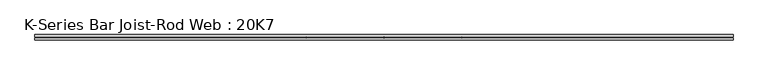
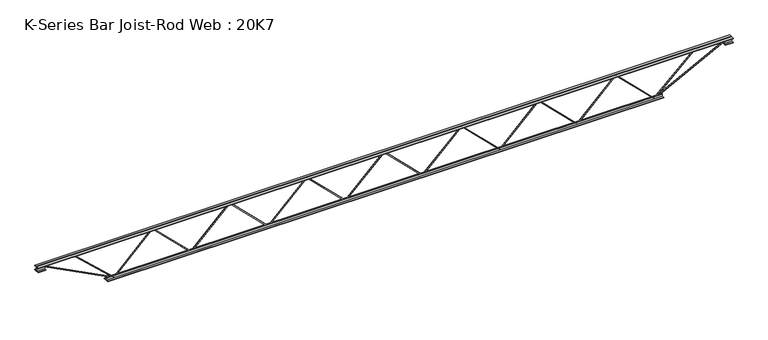
"""IFC4 building model written with IfcOpenShell, lengths in millimetres: beam geometry, K-Series Bar Joist-Rod Web : 20K7."""

from ifc_helpers import new_model, si_unit, frame, origin, place, context, project, spatial, polyline, outline, extrude, source, transform, mapped, element, save


def k_series_bar_joist_rod_web_20k7_4444d1ec(model_context):
    return source(origin(), model_context, "Body", "SweptSolid", [
        extrude(outline(polyline([(-242.8875, 1524.0), (-252.4125, 1524.0), (-252.4125, 1529.1299462), (242.8875, 2030.7799462), (242.8875, 2033.2200538), (-252.4125, 2534.8700538), (-252.4125, 2540.0), (-242.8875, 2540.0), (-242.8875, 2538.7799462), (252.4125, 2037.1299462), (252.4125, 2026.8700538), (-242.8875, 1525.2200538), (-242.8875, 1524.0)])), frame((0.0, -4.7625, 0.0), z_axis=(0.0, 1.0, 0.0), x_axis=(0.0, 0.0, 1.0)), (0.0, 0.0, 1.0), 9.525),
        extrude(outline(polyline([(-242.8875, 508.0), (-252.4125, 508.0), (-252.4125, 513.1299462), (242.8875, 1014.7799462), (242.8875, 1017.2200538), (-252.4125, 1518.8700538), (-252.4125, 1524.0), (-242.8875, 1524.0), (-242.8875, 1522.7799462), (252.4125, 1021.1299462), (252.4125, 1010.8700538), (-242.8875, 509.2200538), (-242.8875, 508.0)])), frame((0.0, -4.7625, 0.0), z_axis=(0.0, 1.0, 0.0), x_axis=(0.0, 0.0, 1.0)), (0.0, 0.0, 1.0), 9.525),
        extrude(outline(polyline([(-242.8875, -508.0), (-252.4125, -508.0), (-252.4125, -502.8700538), (242.8875, -1.2200538), (242.8875, 1.2200538), (-252.4125, 502.8700538), (-252.4125, 508.0), (-242.8875, 508.0), (-242.8875, 506.7799462), (252.4125, 5.1299462), (252.4125, -5.1299462), (-242.8875, -506.7799462), (-242.8875, -508.0)])), frame((0.0, -4.7625, 0.0), z_axis=(0.0, 1.0, 0.0), x_axis=(0.0, 0.0, 1.0)), (0.0, 0.0, 1.0), 9.525),
        extrude(outline(polyline([(-242.8875, -1524.0), (-252.4125, -1524.0), (-252.4125, -1518.8700538), (242.8875, -1017.2200538), (242.8875, -1014.7799462), (-252.4125, -513.1299462), (-252.4125, -508.0), (-242.8875, -508.0), (-242.8875, -509.2200538), (252.4125, -1010.8700538), (252.4125, -1021.1299462), (-242.8875, -1522.7799462), (-242.8875, -1524.0)])), frame((0.0, -4.7625, 0.0), z_axis=(0.0, 1.0, 0.0), x_axis=(0.0, 0.0, 1.0)), (0.0, 0.0, 1.0), 9.525),
        extrude(outline(polyline([(-242.8875, -2540.0), (-252.4125, -2540.0), (-252.4125, -2534.8700538), (242.8875, -2033.2200538), (242.8875, -2030.7799462), (-252.4125, -1529.1299462), (-252.4125, -1524.0), (-242.8875, -1524.0), (-242.8875, -1525.2200538), (252.4125, -2026.8700538), (252.4125, -2037.1299462), (-242.8875, -2538.7799462), (-242.8875, -2540.0)])), frame((0.0, -4.7625, 0.0), z_axis=(0.0, 1.0, 0.0), x_axis=(0.0, 0.0, 1.0)), (0.0, 0.0, 1.0), 9.525),
        extrude(outline(polyline([(-242.8875, 2540.0), (-252.4125, 2540.0), (-252.4125, 2545.1299462), (242.8875, 3046.7799462), (242.8875, 3049.2200538), (-252.4125, 3550.8700538), (-252.4125, 3556.0), (-242.8875, 3556.0), (-242.8875, 3554.7799462), (252.4125, 3053.1299462), (252.4125, 3042.8700538), (-242.8875, 2541.2200538), (-242.8875, 2540.0)])), frame((0.0, -4.7625, 0.0), z_axis=(0.0, 1.0, 0.0), x_axis=(0.0, 0.0, 1.0)), (0.0, 0.0, 1.0), 9.525),
        extrude(outline(polyline([(-242.8875, -3556.0), (-252.4125, -3556.0), (-252.4125, -3550.8700538), (242.8875, -3049.2200538), (242.8875, -3046.7799462), (-252.4125, -2545.1299462), (-252.4125, -2540.0), (-242.8875, -2540.0), (-242.8875, -2541.2200538), (252.4125, -3042.8700538), (252.4125, -3053.1299462), (-242.8875, -3554.7799462), (-242.8875, -3556.0)])), frame((0.0, -4.7625, 0.0), z_axis=(0.0, 1.0, 0.0), x_axis=(0.0, 0.0, 1.0)), (0.0, 0.0, 1.0), 9.525),
        extrude(outline(polyline([(4.7625, 254.0), (36.5125, 254.0), (36.5125, 247.65), (11.1125, 247.65), (11.1125, 222.25), (4.7625, 222.25), (4.7625, 254.0)])), frame((-4572.0, 0.0, 0.0), z_axis=(1.0, 0.0, 0.0), x_axis=(0.0, 1.0, 0.0)), (0.0, 0.0, 1.0), 9144.0),
        extrude(outline(polyline([(-4.7625, 254.0), (-4.7625, 222.25), (-11.1125, 222.25), (-11.1125, 247.65), (-36.5125, 247.65), (-36.5125, 254.0), (-4.7625, 254.0)])), frame((-4572.0, 0.0, 0.0), z_axis=(1.0, 0.0, 0.0), x_axis=(0.0, 1.0, 0.0)), (0.0, 0.0, 1.0), 9144.0),
        extrude(outline(polyline([(-4.7625, 190.5), (-36.5125, 190.5), (-36.5125, 196.85), (-11.1125, 196.85), (-11.1125, 222.25), (-4.7625, 222.25), (-4.7625, 190.5)])), frame((-4572.0, 0.0, 0.0), z_axis=(1.0, 0.0, 0.0), x_axis=(0.0, 1.0, 0.0)), (0.0, 0.0, 1.0), 101.6),
        extrude(outline(polyline([(36.5125, 190.5), (4.7625, 190.5), (4.7625, 222.25), (11.1125, 222.25), (11.1125, 196.85), (36.5125, 196.85), (36.5125, 190.5)])), frame((-4572.0, 0.0, 0.0), z_axis=(1.0, 0.0, 0.0), x_axis=(0.0, 1.0, 0.0)), (0.0, 0.0, 1.0), 101.6),
        extrude(outline(polyline([(4.7625, 190.5), (4.7625, 222.25), (11.1125, 222.25), (11.1125, 196.85), (36.5125, 196.85), (36.5125, 190.5), (4.7625, 190.5)])), frame((4470.4, 0.0, 0.0), z_axis=(1.0, 0.0, 0.0), x_axis=(0.0, 1.0, 0.0)), (0.0, 0.0, 1.0), 101.6),
        extrude(outline(polyline([(-4.7625, 190.5), (-36.5125, 190.5), (-36.5125, 196.85), (-11.1125, 196.85), (-11.1125, 222.25), (-4.7625, 222.25), (-4.7625, 190.5)])), frame((4470.4, 0.0, 0.0), z_axis=(1.0, 0.0, 0.0), x_axis=(0.0, 1.0, 0.0)), (0.0, 0.0, 1.0), 101.6),
        extrude(outline(polyline([(4.7625, -254.0), (4.7625, -222.25), (11.1125, -222.25), (11.1125, -247.65), (36.5125, -247.65), (36.5125, -254.0), (4.7625, -254.0)])), frame((-3657.6, 0.0, 0.0), z_axis=(1.0, 0.0, 0.0), x_axis=(0.0, 1.0, 0.0)), (0.0, 0.0, 1.0), 7315.2),
        extrude(outline(polyline([(-4.7625, -254.0), (-36.5125, -254.0), (-36.5125, -247.65), (-11.1125, -247.65), (-11.1125, -222.25), (-4.7625, -222.25), (-4.7625, -254.0)])), frame((-3657.6, 0.0, 0.0), z_axis=(1.0, 0.0, 0.0), x_axis=(0.0, 1.0, 0.0)), (0.0, 0.0, 1.0), 7315.2),
        extrude(outline(polyline([(0.0, -9.525), (0.0, 0.0), (1028.0726482, 0.0), (1028.0726482, -9.525), (0.0, -9.525)])), frame((-4472.5767905, 4.7625, 218.0140834), z_axis=(0.4570688665021515, 0.0, 0.8894313077885434), x_axis=(0.8894313077885434, 0.0, -0.4570688665021515)), (0.0, 0.0, 1.0), 9.525),
        extrude(outline(polyline([(0.0, -9.525), (0.0, 0.0), (692.0043425, 0.0), (692.0043425, -9.525), (0.0, -9.525)])), frame((-4067.2339374, 4.7625, 218.7538514), z_axis=(0.679041981617196, 0.0, 0.7340994395866215), x_axis=(0.7340994395866215, 0.0, -0.679041981617196)), (0.0, 0.0, 1.0), 9.525),
        extrude(outline(polyline([(0.0, -9.525), (0.0, 0.0), (1028.0726482, 0.0), (1028.0726482, -9.525), (0.0, -9.525)])), frame((4472.5767905, -4.7625, 218.0140834), z_axis=(-0.45706886650213846, 0.0, 0.8894313077885501), x_axis=(-0.8894313077885501, 0.0, -0.45706886650213846)), (0.0, 0.0, 1.0), 9.525),
        extrude(outline(polyline([(0.0, -9.525), (0.0, 0.0), (692.0043425, 0.0), (692.0043425, -9.525), (0.0, -9.525)])), frame((4067.2339374, -4.7625, 218.7538514), z_axis=(-0.6790419816171925, 0.0, 0.7340994395866247), x_axis=(-0.7340994395866247, 0.0, -0.6790419816171925)), (0.0, 0.0, 1.0), 9.525),
    ])


if __name__ == "__main__":
    model = new_model("IFC4")
    model_context = context("Model", 3, world=origin())
    ifc_project = project(units=[si_unit("LENGTHUNIT", "METRE", prefix="MILLI")], contexts=[model_context])
    site = spatial("IfcSite", under=ifc_project)
    building = spatial("IfcBuilding", under=site)
    placement = place(None, origin())
    k_series_bar_joist_rod_web_20k7_shape = k_series_bar_joist_rod_web_20k7_4444d1ec(model_context)
    element("IfcBeam", 1, ObjectType="K-Series Bar Joist-Rod Web : 20K7", at=placement, inside=building, context=model_context, shape_type="MappedRepresentation", body=[
        mapped(k_series_bar_joist_rod_web_20k7_shape, transform((0.0, 0.0, 0.0), x_axis=(1.0, 0.0, 0.0), y_axis=(0.0, 1.0, 0.0), z_axis=(0.0, 0.0, 1.0))),
    ])
    save(model, "model.ifc")
